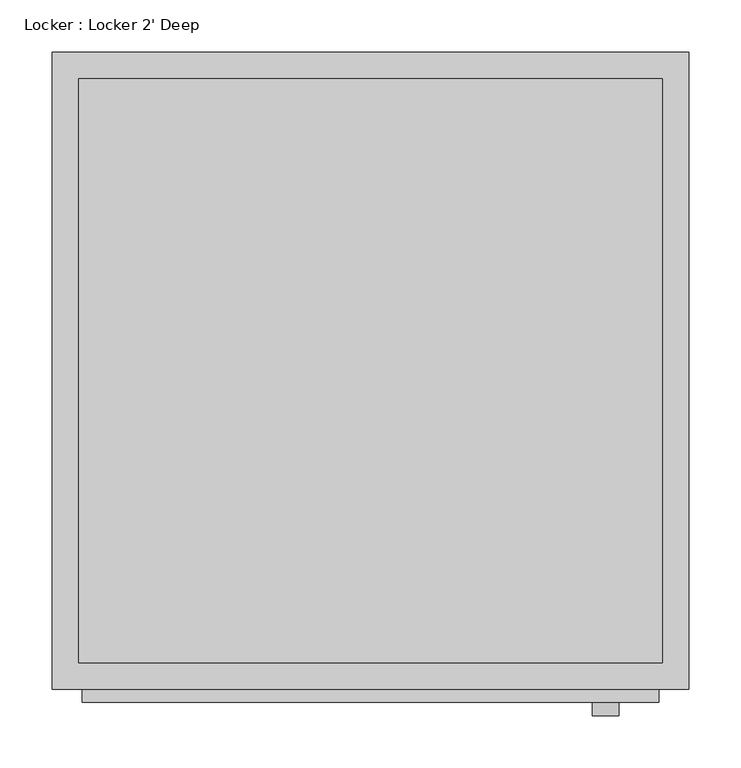
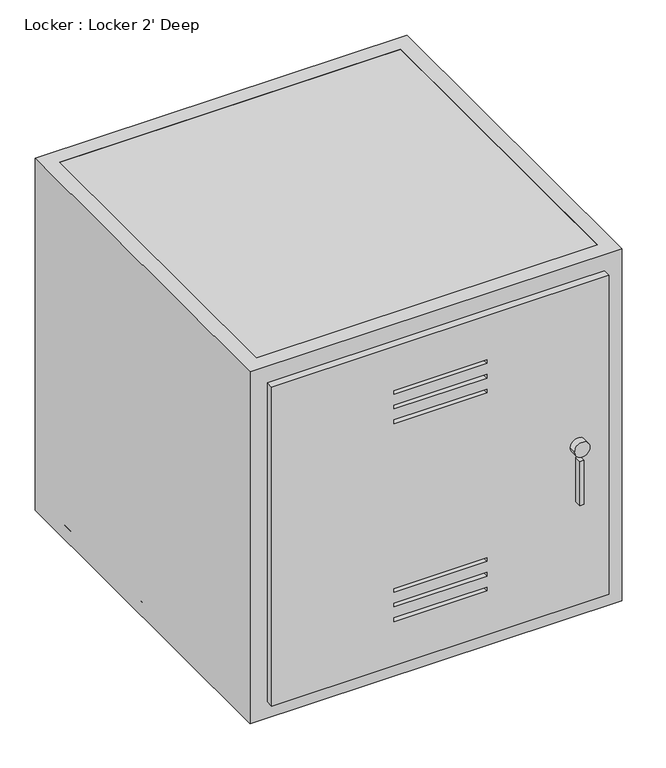
"""IFC4 building model written with IfcOpenShell, lengths in millimetres: proxy geometry, Locker : Locker 2' Deep."""

from ifc_helpers import new_model, si_unit, point, frame, frame_2d, origin, origin_with_axes, place, context, project, spatial, polyline, circle_curve, trimmed, segment, composite_curve, outline, extrude, faceted_brep, source, transform, mapped, element, save


def locker_locker_2_deep_8d70e318(model_context):
    return source(origin(), model_context, "Body", "SolidModel", [
        extrude(outline(polyline([(581.025, 581.025), (581.025, 28.575), (28.575, 28.575), (28.575, 581.025), (581.025, 581.025)]), holes=[polyline([(504.825, 381.0), (498.475, 381.0), (498.475, 228.6), (504.825, 228.6), (504.825, 381.0)]), polyline([(479.425, 381.0), (473.075, 381.0), (473.075, 228.6), (479.425, 228.6), (479.425, 381.0)]), polyline([(454.025, 381.0), (447.675, 381.0), (447.675, 228.6), (454.025, 228.6), (454.025, 381.0)]), polyline([(111.125, 228.6), (111.125, 381.0), (104.775, 381.0), (104.775, 228.6), (111.125, 228.6)]), polyline([(136.525, 228.6), (136.525, 381.0), (130.175, 381.0), (130.175, 228.6), (136.525, 228.6)]), polyline([(161.925, 228.6), (161.925, 381.0), (155.575, 381.0), (155.575, 228.6), (161.925, 228.6)])]), frame((0.0, -12.7, 0.0), z_axis=(0.0, 1.0, 0.0), x_axis=(0.0, 0.0, 1.0)), (0.0, 0.0, 1.0), 12.7),
        faceted_brep([(609.6, 0.0, 609.6), (609.6, 609.6, 609.6), (0.0, 609.6, 609.6), (0.0, 0.0, 609.6), (25.4, 25.4, 609.6), (25.4, 584.2, 609.6), (584.2, 584.2, 609.6), (584.2, 25.4, 609.6), (609.6, 0.0, 0.0), (0.0, 0.0, 0.0), (0.0, 609.6, 0.0), (609.6, 609.6, 0.0), (25.4, 25.4, 0.0), (584.2, 25.4, 0.0), (584.2, 584.2, 0.0), (25.4, 584.2, 0.0), (381.0, 0.0, 504.825), (381.0, 0.0, 498.475), (228.6, 0.0, 498.475), (228.6, 0.0, 504.825), (381.0, 0.0, 479.425), (381.0, 0.0, 473.075), (228.6, 0.0, 473.075), (228.6, 0.0, 479.425), (381.0, 0.0, 454.025), (381.0, 0.0, 447.675), (228.6, 0.0, 447.675), (228.6, 0.0, 454.025), (228.6, 0.0, 111.125), (381.0, 0.0, 111.125), (381.0, 0.0, 104.775), (228.6, 0.0, 104.775), (228.6, 0.0, 136.525), (381.0, 0.0, 136.525), (381.0, 0.0, 130.175), (228.6, 0.0, 130.175), (228.6, 0.0, 161.925), (381.0, 0.0, 161.925), (381.0, 0.0, 155.575), (228.6, 0.0, 155.575), (381.0, 25.4, 498.475), (381.0, 25.4, 504.825), (228.6, 25.4, 504.825), (228.6, 25.4, 498.475), (381.0, 25.4, 473.075), (381.0, 25.4, 479.425), (228.6, 25.4, 479.425), (228.6, 25.4, 473.075), (381.0, 25.4, 447.675), (381.0, 25.4, 454.025), (228.6, 25.4, 454.025), (228.6, 25.4, 447.675), (381.0, 25.4, 111.125), (228.6, 25.4, 111.125), (228.6, 25.4, 104.775), (381.0, 25.4, 104.775), (381.0, 25.4, 136.525), (228.6, 25.4, 136.525), (228.6, 25.4, 130.175), (381.0, 25.4, 130.175), (381.0, 25.4, 161.925), (228.6, 25.4, 161.925), (228.6, 25.4, 155.575), (381.0, 25.4, 155.575)], [[[0, 1, 2, 3], [4, 5, 6, 7]], [[8, 9, 10, 11], [12, 13, 14, 15]], [[1, 0, 8, 11]], [[2, 1, 11, 10]], [[3, 2, 10, 9]], [[0, 3, 9, 8], [16, 17, 18, 19], [20, 21, 22, 23], [24, 25, 26, 27], [28, 29, 30, 31], [32, 33, 34, 35], [36, 37, 38, 39]], [[5, 4, 12, 15]], [[6, 5, 15, 14]], [[7, 6, 14, 13]], [[4, 7, 13, 12], [40, 41, 42, 43], [44, 45, 46, 47], [48, 49, 50, 51], [52, 53, 54, 55], [56, 57, 58, 59], [60, 61, 62, 63]], [[40, 17, 16, 41]], [[41, 16, 19, 42]], [[42, 19, 18, 43]], [[17, 40, 43, 18]], [[44, 21, 20, 45]], [[45, 20, 23, 46]], [[46, 23, 22, 47]], [[21, 44, 47, 22]], [[48, 25, 24, 49]], [[49, 24, 27, 50]], [[50, 27, 26, 51]], [[25, 48, 51, 26]], [[52, 29, 28, 53]], [[53, 28, 31, 54]], [[54, 31, 30, 55]], [[29, 52, 55, 30]], [[56, 33, 32, 57]], [[57, 32, 35, 58]], [[58, 35, 34, 59]], [[33, 56, 59, 34]], [[60, 37, 36, 61]], [[61, 36, 39, 62]], [[62, 39, 38, 63]], [[37, 60, 63, 38]]]),
        extrude(outline(composite_curve([segment(trimmed(circle_curve(frame_2d((304.8, 530.225)), 12.7), [point((304.8, 517.525))], [point((304.8, 542.925))], False, "CARTESIAN"), True, "CONTINUOUS"), segment(trimmed(circle_curve(frame_2d((304.8, 530.225)), 12.7), [point((304.8, 542.925))], [point((304.8, 517.525))], False, "CARTESIAN"), True, "CONTINUOUS")], self_intersect=False)), frame((0.0, -25.4, 0.0), z_axis=(0.0, 1.0, 0.0), x_axis=(0.0, 0.0, 1.0)), (0.0, 0.0, 1.0), 25.4),
        extrude(outline(polyline([(532.5246157, -25.4), (526.1746157, -25.4), (526.1746157, 0.0), (532.5246157, 0.0), (532.5246157, -25.4)])), frame((0.0, 0.0, 209.1880316), z_axis=(0.0, 0.0, 1.0), x_axis=(1.0, 0.0, 0.0)), (0.0, 0.0, 1.0), 76.2),
        extrude(outline(polyline([(609.6, 609.6), (609.6, 0.0), (0.0, 0.0), (0.0, 609.6), (609.6, 609.6)])), frame((0.0, 0.0, 584.2), z_axis=(0.0, 0.0, 1.0), x_axis=(1.0, 0.0, 0.0)), (0.0, 0.0, 1.0), 25.4),
        extrude(outline(polyline([(609.6, 0.0), (0.0, 0.0), (0.0, 609.6), (609.6, 609.6), (609.6, 0.0)])), origin_with_axes(), (0.0, 0.0, 1.0), 25.4),
    ])


if __name__ == "__main__":
    model = new_model("IFC4")
    model_context = context("Model", 3, world=origin())
    ifc_project = project(units=[si_unit("LENGTHUNIT", "METRE", prefix="MILLI")], contexts=[model_context])
    site = spatial("IfcSite", under=ifc_project)
    building = spatial("IfcBuilding", under=site)
    placement = place(None, origin())
    locker_locker_2_deep_shape = locker_locker_2_deep_8d70e318(model_context)
    element("IfcBuildingElementProxy", 1, Name="Locker : Locker 2' Deep", ObjectType="Locker : Locker 2' Deep", at=placement, inside=building, context=model_context, shape_type="MappedRepresentation", body=[
        mapped(locker_locker_2_deep_shape, transform((0.0, 0.0, 0.0), x_axis=(1.0, 0.0, 0.0), y_axis=(0.0, 1.0, 0.0), z_axis=(0.0, 0.0, 1.0))),
    ])
    save(model, "model.ifc")
